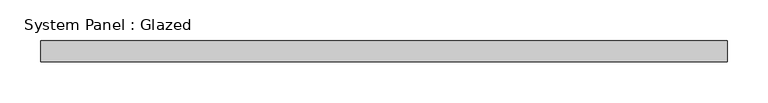
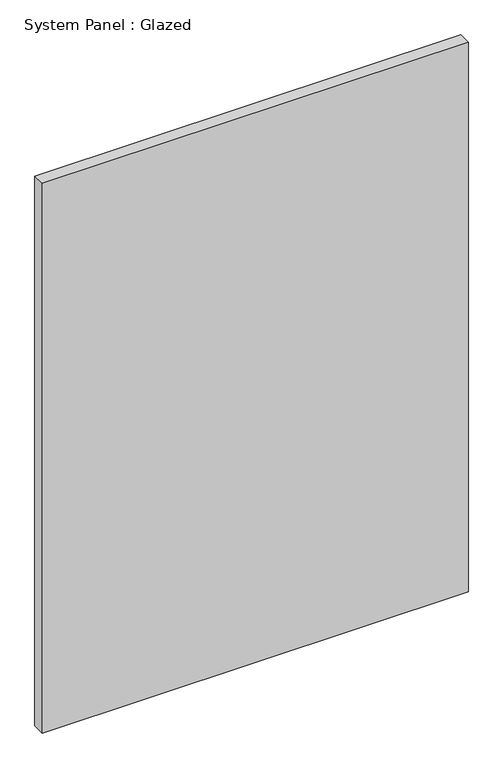
"""IFC4 building model written with IfcOpenShell, lengths in millimetres: plate geometry, System Panel : Glazed."""

from ifc_helpers import new_model, si_unit, origin, origin_with_axes, place, context, project, spatial, polyline, outline, extrude, source, transform, mapped, element, save


def system_panel_glazed_fcc949bc(model_context):
    return source(origin(), model_context, "Body", "SweptSolid", [
        extrude(outline(polyline([(419.1, 25.4), (-419.1, 25.4), (-419.1, 50.8), (419.1, 50.8), (419.1, 25.4)])), origin_with_axes(), (0.0, 0.0, 1.0), 1143.0),
    ])


if __name__ == "__main__":
    model = new_model("IFC4")
    model_context = context("Model", 3, world=origin())
    ifc_project = project(units=[si_unit("LENGTHUNIT", "METRE", prefix="MILLI")], contexts=[model_context])
    site = spatial("IfcSite", under=ifc_project)
    building = spatial("IfcBuilding", under=site)
    placement = place(None, origin())
    system_panel_glazed_shape = system_panel_glazed_fcc949bc(model_context)
    element("IfcPlate", 1, ObjectType="System Panel : Glazed", at=placement, inside=building, context=model_context, shape_type="MappedRepresentation", body=[
        mapped(system_panel_glazed_shape, transform((0.0, 0.0, 0.0), x_axis=(1.0, 0.0, 0.0), y_axis=(0.0, 1.0, 0.0), z_axis=(0.0, 0.0, 1.0))),
    ])
    save(model, "model.ifc")
